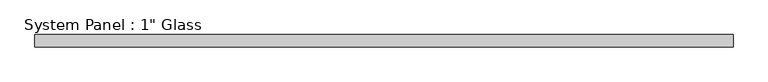
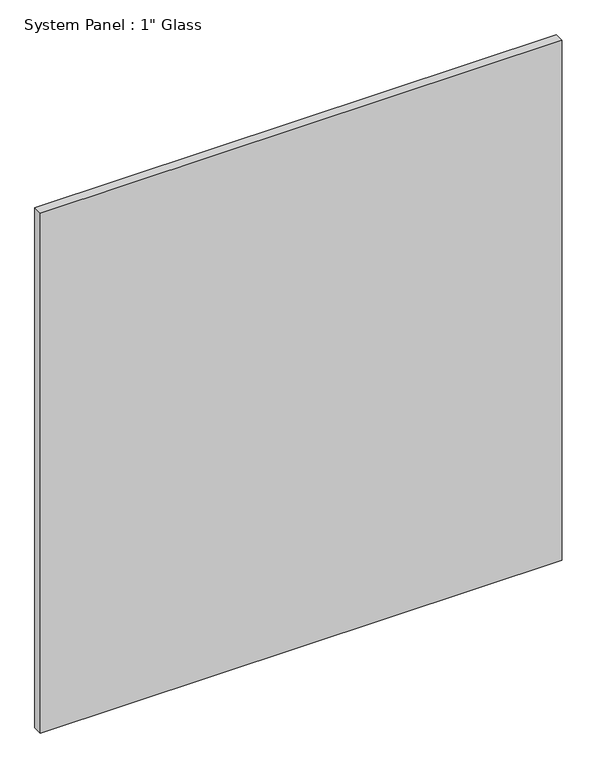
"""IFC4 building model written with IfcOpenShell, lengths in millimetres: plate geometry."""

import ifcopenshell
import ifcopenshell.guid

model = None  # the IFC model being written
_history = None  # IfcOwnerHistory: only IFC2X3 demands one
_inside = {}  # id of a spatial element -> (the spatial element, [elements in it])
_under = {}  # id of a project, library or spatial element -> (it, [spatial elements below it])
_declared = {}  # id of a project -> (the project, [libraries it declares])
_typed = {}  # id of a type object -> (the type object, [elements of that type])
_made_of = {}  # id of a material, layer set ... -> (it, [elements and type objects made of it])


def new_model(schema):
    """Start an empty IFC model of exactly this schema.

    Asked for "IFC4X3", IfcOpenShell would pick the latest addendum, in which some entities
    have other attributes; the version numbers below select the first issue.
    IFC2X3 requires an IfcOwnerHistory on every rooted entity: one is made here for all.
    """
    global model, _history
    if schema == "IFC4X3":
        model = ifcopenshell.file(schema_version=(4, 3, 0, 0))
    else:
        model = ifcopenshell.file(schema=schema)
    _inside.clear()
    _under.clear()
    _declared.clear()
    _typed.clear()
    _made_of.clear()
    _history = None
    if model.schema == "IFC2X3":
        org = make("IfcOrganization", Name="unknown")
        user = make(
            "IfcPersonAndOrganization",
            ThePerson=make("IfcPerson", FamilyName="unknown"),
            TheOrganization=org,
        )
        app = make(
            "IfcApplication",
            ApplicationDeveloper=org,
            Version="unknown",
            ApplicationFullName="unknown",
            ApplicationIdentifier="unknown",
        )
        _history = make(
            "IfcOwnerHistory",
            OwningUser=user,
            OwningApplication=app,
            ChangeAction="ADDED",
            CreationDate=0,
        )
    return model


def make(cls, **values):
    """One entity of the class cls with the attributes given. An attribute that is None is left unset."""
    return model.create_entity(
        cls, **{name: value for name, value in values.items() if value is not None}
    )


def rooted(cls, **values):
    """An entity with a GlobalId (a new one), such as an element, a storey or a relation."""
    return make(cls, GlobalId=ifcopenshell.guid.new(), OwnerHistory=_history, **values)


def si_unit(unit_type, name, prefix=None):
    """IfcSIUnit, for example si_unit("LENGTHUNIT", "METRE", prefix="MILLI")."""
    return make("IfcSIUnit", UnitType=unit_type, Prefix=prefix, Name=name)


def assignment(units):
    """IfcUnitAssignment: the units of a project."""
    return None if units is None else make("IfcUnitAssignment", Units=units)


def point(xyz):
    """IfcCartesianPoint."""
    return None if xyz is None else make("IfcCartesianPoint", Coordinates=xyz)


def direction(xyz):
    """IfcDirection."""
    return None if xyz is None else make("IfcDirection", DirectionRatios=xyz)


def frame(location, z_axis=None, x_axis=None):
    """IfcAxis2Placement3D, a coordinate frame: its origin and axes. An axis left out is left unset."""
    return make(
        "IfcAxis2Placement3D",
        Location=point(location),
        Axis=direction(z_axis),
        RefDirection=direction(x_axis),
    )


def origin():
    """The frame at (0, 0, 0) with its axes left unset."""
    return frame((0.0, 0.0, 0.0))


def origin_with_axes():
    """The frame at (0, 0, 0) with the z axis (0, 0, 1) and the x axis (1, 0, 0) written out."""
    return frame((0.0, 0.0, 0.0), z_axis=(0.0, 0.0, 1.0), x_axis=(1.0, 0.0, 0.0))


def place(relative_to, where):
    """IfcLocalPlacement: puts the frame where relative to a parent placement (None: the world)."""
    return make(
        "IfcLocalPlacement", PlacementRelTo=relative_to, RelativePlacement=where
    )


def context(
    kind, dimensions, precision=None, world=None, true_north=None, identifier=None
):
    """IfcGeometricRepresentationContext, for example the 3D "Model" context."""
    return make(
        "IfcGeometricRepresentationContext",
        ContextIdentifier=identifier,
        ContextType=kind,
        CoordinateSpaceDimension=dimensions,
        Precision=precision,
        WorldCoordinateSystem=world,
        TrueNorth=true_north,
    )


def project(units=None, contexts=None):
    """IfcProject with its units and contexts."""
    return rooted(
        "IfcProject",
        Name="project",
        RepresentationContexts=contexts,
        UnitsInContext=assignment(units),
    )


def spatial(cls, under=None, at=None, **own):
    """A site, building, storey or space (cls), placed at a placement, below another one or the project."""
    s = rooted(cls, ObjectPlacement=at, **own)
    if under is not None:
        _under.setdefault(under.id(), (under, []))[1].append(s)
    return s


def polyline(points):
    """IfcPolyline through the points."""
    return make("IfcPolyline", Points=[point(p) for p in points])


def outline(outer, holes=None, kind="AREA"):
    """IfcArbitraryClosedProfileDef: a profile drawn as a closed curve; with holes, ...WithVoids."""
    if holes is None:
        return make("IfcArbitraryClosedProfileDef", ProfileType=kind, OuterCurve=outer)
    return make(
        "IfcArbitraryProfileDefWithVoids",
        ProfileType=kind,
        OuterCurve=outer,
        InnerCurves=holes,
    )


def extrude(swept, where, along, depth):
    """IfcExtrudedAreaSolid: the profile swept, set in the frame where, extruded along a direction by depth."""
    return make(
        "IfcExtrudedAreaSolid",
        SweptArea=swept,
        Position=where,
        ExtrudedDirection=direction(along),
        Depth=depth,
    )


def shape(context_of_items, identifier, shape_type, items):
    """IfcShapeRepresentation: the items that make up one representation, for example the "Body"."""
    return make(
        "IfcShapeRepresentation",
        ContextOfItems=context_of_items,
        RepresentationIdentifier=identifier,
        RepresentationType=shape_type,
        Items=items,
    )


def source(mapping_origin, context_of_items, identifier, shape_type, items):
    """IfcRepresentationMap: a shape defined once, which mapped items show again and again."""
    return make(
        "IfcRepresentationMap",
        MappingOrigin=mapping_origin,
        MappedRepresentation=shape(context_of_items, identifier, shape_type, items),
    )


def transform(
    local_origin,
    x_axis=None,
    y_axis=None,
    z_axis=None,
    scale=None,
    scale2=None,
    scale3=None,
    uniform=True,
):
    """IfcCartesianTransformationOperator3D, or its non-uniform kind. x_axis, y_axis, z_axis: its Axis1, 2, 3."""
    if uniform:
        return make(
            "IfcCartesianTransformationOperator3D",
            Axis1=direction(x_axis),
            Axis2=direction(y_axis),
            LocalOrigin=point(local_origin),
            Scale=scale,
            Axis3=direction(z_axis),
        )
    return make(
        "IfcCartesianTransformationOperator3DnonUniform",
        Axis1=direction(x_axis),
        Axis2=direction(y_axis),
        LocalOrigin=point(local_origin),
        Scale=scale,
        Axis3=direction(z_axis),
        Scale2=scale2,
        Scale3=scale3,
    )


def mapped(mapping_source, mapping_target):
    """IfcMappedItem: shows the shape of a source again, moved by a transform."""
    return make(
        "IfcMappedItem", MappingSource=mapping_source, MappingTarget=mapping_target
    )


def made_of(thing, what):
    """Note that an element or type object is made of a material, layer set ...; save() writes the relation."""
    if what is not None:
        _made_of.setdefault(what.id(), (what, []))[1].append(thing)
    return thing


def element(
    cls,
    number,
    at=None,
    inside=None,
    cuts=None,
    type_object=None,
    material=None,
    context=None,
    identifier="Body",
    shape_type=None,
    held_by="IfcProductDefinitionShape",
    body=None,
    shapes=None,
    **own,
):
    """One element of the class cls, such as IfcWall. Its Tag is "e" and its number.

    at: its placement. inside: the storey or other place that contains it. cuts: it is an
    opening in that element (IfcRelVoidsElement). A single representation is given by context,
    identifier, shape_type and body (its items); several are given by shapes. held_by: the class
    of the entity that holds the representations. save() writes the other relations.
    """
    e = rooted(cls, Tag="e%d" % number, ObjectPlacement=at, **own)
    if body is not None:
        shapes = [shape(context, identifier, shape_type, body)]
    if shapes is not None:
        e.Representation = make(held_by, Representations=shapes)
    if inside is not None:
        _inside.setdefault(inside.id(), (inside, []))[1].append(e)
    if cuts is not None:
        rooted(
            "IfcRelVoidsElement", RelatingBuildingElement=cuts, RelatedOpeningElement=e
        )
    if type_object is not None:
        _typed.setdefault(type_object.id(), (type_object, []))[1].append(e)
    return made_of(e, material)


def aggregate(whole, parts):
    """IfcRelAggregates: a whole, such as a stair, and the parts it consists of."""
    return rooted("IfcRelAggregates", RelatingObject=whole, RelatedObjects=parts)


def save(model, path):
    """Write the relations noted so far, then the file.

    IfcRelAggregates (storeys below a building ...), IfcRelContainedInSpatialStructure (elements
    in a storey), IfcRelDefinesByType, IfcRelAssociatesMaterial and IfcRelDeclares: one each for
    every whole, place, type object, material and project.
    """
    for whole, parts in _under.values():
        aggregate(whole, parts)
    for where, things in _inside.values():
        rooted(
            "IfcRelContainedInSpatialStructure",
            RelatedElements=things,
            RelatingStructure=where,
        )
    for kind, things in _typed.values():
        rooted("IfcRelDefinesByType", RelatedObjects=things, RelatingType=kind)
    for what, things in _made_of.values():
        rooted("IfcRelAssociatesMaterial", RelatedObjects=things, RelatingMaterial=what)
    for by, libraries in _declared.values():
        rooted("IfcRelDeclares", RelatingContext=by, RelatedDefinitions=libraries)
    model.write(path)


def plate_1b3db30f(model_context):
    return source(origin(), model_context, "Body", "SweptSolid", [
        extrude(outline(polyline([(708.6055865, -12.7), (-708.6055865, -12.7), (-708.6055865, 12.7), (708.6055865, 12.7), (708.6055865, -12.7)])), origin_with_axes(), (0.0, 0.0, 1.0), 1492.2517704),
    ])


if __name__ == "__main__":
    model = new_model("IFC4")
    model_context = context("Model", 3, world=origin())
    ifc_project = project(units=[si_unit("LENGTHUNIT", "METRE", prefix="MILLI")], contexts=[model_context])
    site = spatial("IfcSite", under=ifc_project)
    building = spatial("IfcBuilding", under=site)
    placement = place(None, origin())
    plate_shape = plate_1b3db30f(model_context)
    element("IfcPlate", 1, ObjectType="System Panel : 1\" Glass", at=placement, inside=building, context=model_context, shape_type="MappedRepresentation", body=[
        mapped(plate_shape, transform((0.0, 0.0, 0.0), x_axis=(1.0, 0.0, 0.0), y_axis=(0.0, 1.0, 0.0), z_axis=(0.0, 0.0, 1.0))),
    ])
    save(model, "model.ifc")
